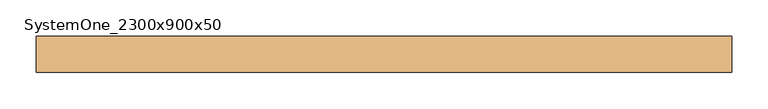
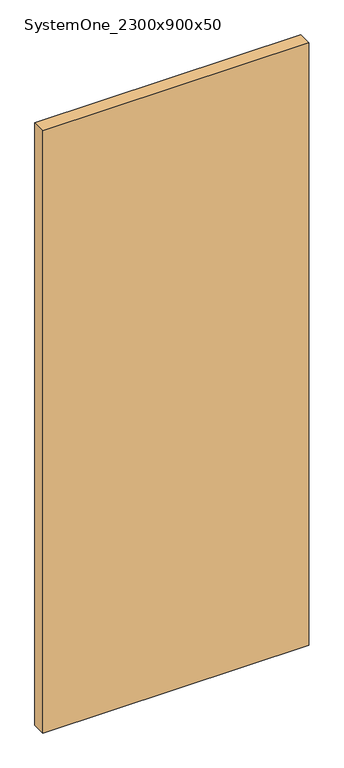
"""IFC4 building model written with IfcOpenShell, lengths in millimetres: door geometry, SystemOne_2300x900x50."""

from ifc_helpers import new_model, si_unit, frame, origin, place, context, project, spatial, polyline, outline, extrude, source, transform, mapped, element, save


def systemone_2300x900x50_f858def2(model_context):
    return source(origin(), model_context, "Body", "SweptSolid", [
        extrude(outline(polyline([(830.0, -25.0), (-130.0, -25.0), (-130.0, 25.0), (830.0, 25.0), (830.0, -25.0)])), frame((0.0, 0.0, 13.0), z_axis=(0.0, 0.0, 1.0), x_axis=(1.0, 0.0, 0.0)), (0.0, 0.0, 1.0), 2300.0),
    ])


if __name__ == "__main__":
    model = new_model("IFC4")
    model_context = context("Model", 3, world=origin())
    ifc_project = project(units=[si_unit("LENGTHUNIT", "METRE", prefix="MILLI")], contexts=[model_context])
    site = spatial("IfcSite", under=ifc_project)
    building = spatial("IfcBuilding", under=site)
    placement = place(None, origin())
    systemone_2300x900x50_shape = systemone_2300x900x50_f858def2(model_context)
    element("IfcDoor", 1, ObjectType="SystemOne_2300x900x50", at=placement, inside=building, context=model_context, shape_type="MappedRepresentation", body=[
        mapped(systemone_2300x900x50_shape, transform((0.0, 0.0, 0.0), x_axis=(1.0, 0.0, 0.0), y_axis=(0.0, 1.0, 0.0), z_axis=(0.0, 0.0, 1.0))),
    ])
    save(model, "model.ifc")
